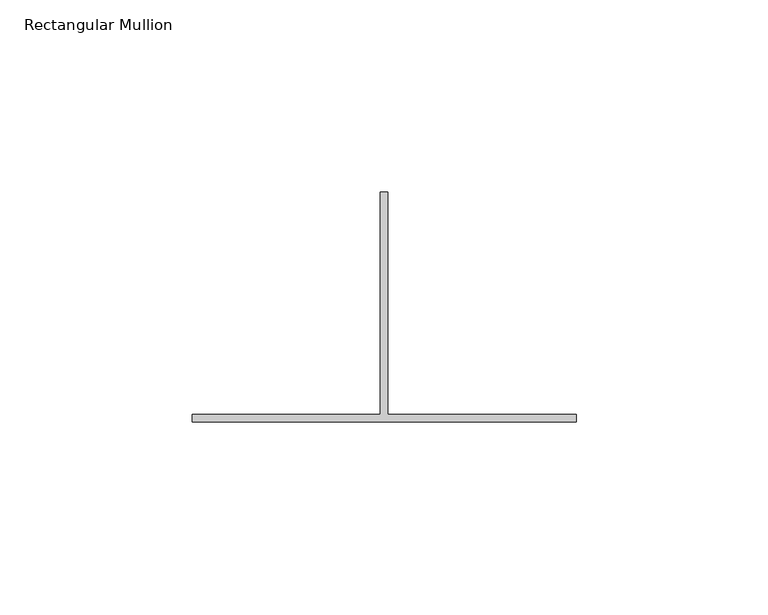
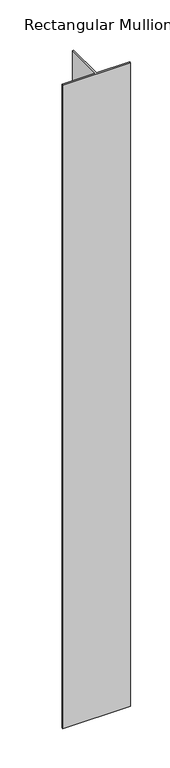
"""IFC4 building model written with IfcOpenShell, lengths in millimetres: member geometry, Rectangular Mullion."""

from ifc_helpers import new_model, si_unit, frame, origin, place, context, project, spatial, polyline, outline, extrude, source, transform, mapped, element, save


def rectangular_mullion_94d5f2b9(model_context):
    return source(origin(), model_context, "Body", "SweptSolid", [
        extrude(outline(polyline([(49.0, -262.0), (-51.0, -262.0), (-51.0, -260.0), (-2.0, -260.0), (-2.0, -202.0), (0.0, -202.0), (0.0, -260.0), (49.0, -260.0), (49.0, -262.0)])), frame((0.0, 0.0, -1000.0), z_axis=(0.0, 0.0, 1.0), x_axis=(1.0, 0.0, 0.0)), (0.0, 0.0, 1.0), 1000.0),
    ])


if __name__ == "__main__":
    model = new_model("IFC4")
    model_context = context("Model", 3, world=origin())
    ifc_project = project(units=[si_unit("LENGTHUNIT", "METRE", prefix="MILLI")], contexts=[model_context])
    site = spatial("IfcSite", under=ifc_project)
    building = spatial("IfcBuilding", under=site)
    placement = place(None, origin())
    rectangular_mullion_shape = rectangular_mullion_94d5f2b9(model_context)
    element("IfcMember", 1, ObjectType="Rectangular Mullion", at=placement, inside=building, context=model_context, shape_type="MappedRepresentation", body=[
        mapped(rectangular_mullion_shape, transform((0.0, 0.0, 0.0), x_axis=(1.0, 0.0, 0.0), y_axis=(0.0, 1.0, 0.0), z_axis=(0.0, 0.0, 1.0))),
    ])
    save(model, "model.ifc")
